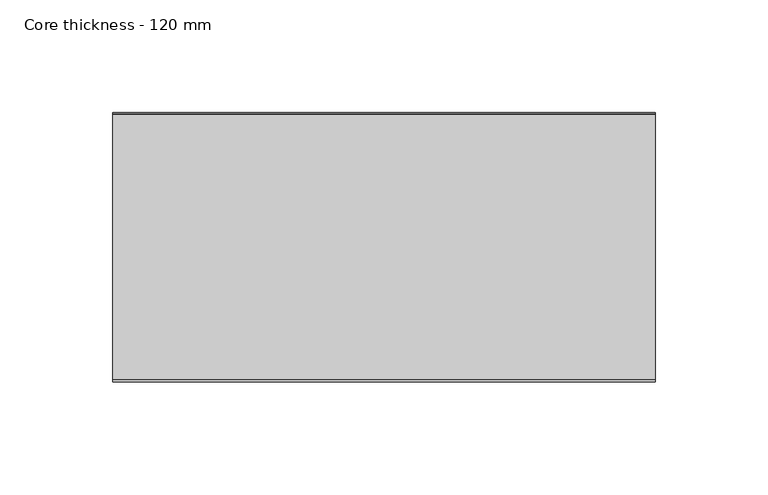
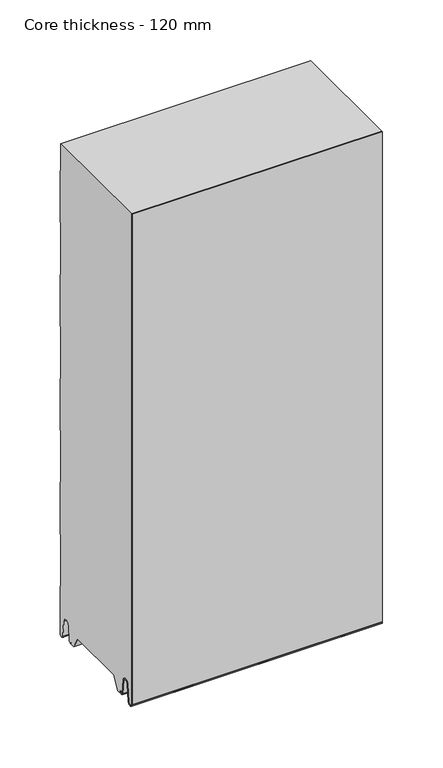
"""IFC4 building model written with IfcOpenShell, lengths in millimetres: plate geometry, Core thickness - 120 mm."""

from ifc_helpers import new_model, si_unit, frame, origin, place, context, project, spatial, polyline, circle_curve, source, transform, mapped, element, save
from ifc_brep_helpers import plane_surface, cylinder_surface, revolved_surface, advanced_brep


def core_thickness_120_mm_660c0a18(model_context):
    return source(origin(), model_context, "Body", "AdvancedBrep", [
        advanced_brep(
        [(119.9999998, -119.9996949, 3.0900682), (119.9999998, -113.81449, 2.7875612), (119.9999998, -112.197116, 19.2828169), (119.9999998, -109.1776715, 21.9898782), (119.9999998, -106.1582271, 19.2828169), (119.9999998, -104.7725998, 5.1510966), (119.9999998, -100.3830995, 5.365779), (119.9999998, -101.1830995, 5.365779), (119.9999998, -103.9764178, 5.2291629), (119.9999998, -105.3620451, 19.3608832), (119.9999998, -109.1776715, 22.7899182), (119.9999998, -112.9932979, 19.3608832), (119.9999998, -114.6106719, 2.8656275), (119.9999998, -119.1996949, 3.0900682), (119.9999998, -119.2, 500.0), (119.9999998, -119.9996949, 500.0), (-119.9999998, -119.1996949, 3.0900682), (-119.9999998, -114.6106719, 2.8656275), (-119.9999998, -112.9932979, 19.3608832), (-119.9999998, -109.1776715, 22.7899182), (-119.9999998, -105.3620451, 19.3608832), (-119.9999998, -103.9764178, 5.2291629), (-119.9999998, -101.1830995, 5.365779), (-119.9999998, -100.3830995, 5.365779), (-119.9999998, -104.7725998, 5.1510966), (-119.9999998, -106.1582271, 19.2828169), (-119.9999998, -109.1776715, 21.9898782), (-119.9999998, -112.197116, 19.2828169), (-119.9999998, -113.81449, 2.7875612), (-119.9999998, -119.9996949, 3.0900682), (-119.9999998, -119.9996949, 500.0), (-119.9999998, -119.2, 500.0)],
        [
            (0, 1, circle_curve(frame((119.9999998, -116.8996949, 3.0900682), z_axis=(1.0, 0.0, 0.0), x_axis=(0.0, 0.0, -1.0)), 3.1)),
            (1, 2),
            (2, 3, circle_curve(frame((119.9999998, -109.2114338, 18.9900682), z_axis=(-1.0, 0.0, 0.0), x_axis=(0.0, 0.0, -1.0)), 3.0)),
            (3, 4, circle_curve(frame((119.9999998, -109.1439093, 18.9900682), z_axis=(-1.0, 0.0, 0.0), x_axis=(0.0, 0.0, -1.0)), 3.0)),
            (4, 5),
            (5, 6, circle_curve(frame((119.9999998, -102.5830995, 5.365779), z_axis=(1.0, 0.0, 0.0), x_axis=(0.0, 0.0, -1.0)), 2.2)),
            (6, 7),
            (7, 8, circle_curve(frame((119.9999998, -102.5830995, 5.365779), z_axis=(-1.0, 0.0, 0.0), x_axis=(0.0, 0.0, -1.0)), 1.4)),
            (8, 9),
            (9, 10, circle_curve(frame((119.9999998, -109.1439093, 18.9900682), z_axis=(1.0, 0.0, 0.0), x_axis=(0.0, 0.0, -1.0)), 3.8)),
            (10, 11, circle_curve(frame((119.9999998, -109.2114338, 18.9900682), z_axis=(1.0, 0.0, 0.0), x_axis=(0.0, 0.0, -1.0)), 3.8)),
            (11, 12),
            (12, 13, circle_curve(frame((119.9999998, -116.8996949, 3.0900682), z_axis=(-1.0, 0.0, 0.0), x_axis=(0.0, 0.0, -1.0)), 2.3)),
            (13, 14),
            (14, 15),
            (15, 0),
            (16, 17, circle_curve(frame((-119.9999998, -116.8996949, 3.0900682), z_axis=(1.0, 0.0, 0.0), x_axis=(0.0, 0.0, -1.0)), 2.3)),
            (17, 18),
            (18, 19, circle_curve(frame((-119.9999998, -109.2114338, 18.9900682), z_axis=(-1.0, 0.0, 0.0), x_axis=(0.0, 0.0, -1.0)), 3.8)),
            (19, 20, circle_curve(frame((-119.9999998, -109.1439093, 18.9900682), z_axis=(-1.0, 0.0, 0.0), x_axis=(0.0, 0.0, -1.0)), 3.8)),
            (20, 21),
            (21, 22, circle_curve(frame((-119.9999998, -102.5830995, 5.365779), z_axis=(1.0, 0.0, 0.0), x_axis=(0.0, 0.0, -1.0)), 1.4)),
            (22, 23),
            (23, 24, circle_curve(frame((-119.9999998, -102.5830995, 5.365779), z_axis=(-1.0, 0.0, 0.0), x_axis=(0.0, 0.0, -1.0)), 2.2)),
            (24, 25),
            (25, 26, circle_curve(frame((-119.9999998, -109.1439093, 18.9900682), z_axis=(1.0, 0.0, 0.0), x_axis=(0.0, 0.0, -1.0)), 3.0)),
            (26, 27, circle_curve(frame((-119.9999998, -109.2114338, 18.9900682), z_axis=(1.0, 0.0, 0.0), x_axis=(0.0, 0.0, -1.0)), 3.0)),
            (27, 28),
            (28, 29, circle_curve(frame((-119.9999998, -116.8996949, 3.0900682), z_axis=(-1.0, 0.0, 0.0), x_axis=(0.0, 0.0, -1.0)), 3.1)),
            (29, 30),
            (30, 31),
            (31, 16),
            (13, 16),
            (31, 14),
            (12, 17),
            (11, 18),
            (10, 19),
            (9, 20),
            (8, 21),
            (7, 22),
            (6, 23),
            (5, 24),
            (4, 25),
            (3, 26),
            (2, 27),
            (1, 28),
            (0, 29),
            (15, 30),
        ],
        [
            plane_surface(frame((119.9999998, -120.0, 0.0), z_axis=(1.0, 0.0, 0.0), x_axis=(0.0, 1.0, 0.0))),
            plane_surface(frame((-119.9999998, -120.0, 0.0), z_axis=(-1.0, 0.0, 0.0), x_axis=(0.0, 1.0, 0.0))),
            plane_surface(frame((119.9999998, -119.2, 3.0900682), z_axis=(0.0, 1.0, 0.0), x_axis=(-1.0, 0.0, 0.0))),
            revolved_surface(polyline([(-119.9999998, -116.8996949, 0.7900682000000003), (119.9999998, -116.8996949, 0.7900682000000003)]), (119.9999998, -116.8996949, 3.0900682), (-1.0, 0.0, 0.0)),
            plane_surface(frame((119.9999998, -112.9932979, 19.3608832), z_axis=(0.0, -0.9952273999818314, 0.09758289975914787), x_axis=(-1.0, 0.0, 0.0))),
            cylinder_surface(frame((119.9999998, -109.2114338, 18.9900682), z_axis=(1.0, 0.0, 0.0), x_axis=(0.0, 0.0, -1.0)), 3.8),
            cylinder_surface(frame((119.9999998, -109.1439093, 18.9900682), z_axis=(1.0, 0.0, 0.0), x_axis=(0.0, 0.0, -1.0)), 3.8),
            plane_surface(frame((119.9999998, -103.9764178, 5.2291629), z_axis=(0.0, 0.9952273999818297, 0.09758289975916531), x_axis=(-1.0, 0.0, 0.0))),
            revolved_surface(polyline([(-119.9999998, -102.5830995, 3.965779), (119.9999998, -102.5830995, 3.965779)]), (119.9999998, -102.5830995, 5.365779), (-1.0, 0.0, 0.0)),
            plane_surface(frame((119.9999998, -100.3830995, 5.365779), z_axis=(0.0, 0.0, 1.0), x_axis=(-1.0, 0.0, 0.0))),
            cylinder_surface(frame((119.9999998, -102.5830995, 5.365779), z_axis=(1.0, 0.0, 0.0), x_axis=(0.0, 0.0, -1.0)), 2.2),
            plane_surface(frame((119.9999998, -106.1582271, 19.2828169), z_axis=(0.0, -0.9952273999818296, -0.09758289975916527), x_axis=(-1.0, 0.0, 0.0))),
            revolved_surface(polyline([(-119.9999998, -109.1439093, 15.9900682), (119.9999998, -109.1439093, 15.9900682)]), (119.9999998, -109.1439093, 18.9900682), (-1.0, 0.0, 0.0)),
            revolved_surface(polyline([(-119.9999998, -109.2114338, 15.9900682), (119.9999998, -109.2114338, 15.9900682)]), (119.9999998, -109.2114338, 18.9900682), (-1.0, 0.0, 0.0)),
            plane_surface(frame((119.9999998, -113.81449, 2.7875612), z_axis=(0.0, 0.9952273999818314, -0.09758289975914787), x_axis=(-1.0, 0.0, 0.0))),
            cylinder_surface(frame((119.9999998, -116.8996949, 3.0900682), z_axis=(1.0, 0.0, 0.0), x_axis=(0.0, 0.0, -1.0)), 3.1),
            plane_surface(frame((119.9999998, -119.9996949, 993.9000005), z_axis=(0.0, -1.0, 0.0), x_axis=(-1.0, 0.0, 0.0))),
            plane_surface(frame((-119.9999998, 134.0533409, 500.0), z_axis=(0.0, 0.0, 1.0), x_axis=(1.0, 0.0, 0.0))),
        ],
        [
            (0, [[1, 2, 3, 4, 5, 6, 7, 8, 9, 10, 11, 12, 13, 14, 15, 16]]),
            (1, [[17, 18, 19, 20, 21, 22, 23, 24, 25, 26, 27, 28, 29, 30, 31, 32]]),
            (2, [[33, -32, 34, -14]]),
            (3, [[-13, 35, -17, -33]]),
            (4, [[-12, 36, -18, -35]]),
            (5, [[-11, 37, -19, -36]]),
            (6, [[-10, 38, -20, -37]]),
            (7, [[-9, 39, -21, -38]]),
            (8, [[-8, 40, -22, -39]]),
            (9, [[-7, 41, -23, -40]]),
            (10, [[-6, 42, -24, -41]]),
            (11, [[-5, 43, -25, -42]]),
            (12, [[-4, 44, -26, -43]]),
            (13, [[-3, 45, -27, -44]]),
            (14, [[-2, 46, -28, -45]]),
            (15, [[-1, 47, -29, -46]]),
            (16, [[-47, -16, 48, -30]]),
            (17, [[-15, -34, -31, -48]]),
        ],
    ),
        advanced_brep(
        [(119.9999998, -89.873448, 15.1417681), (119.9999998, -30.126552, 15.1417681), (119.9999998, -23.4071318, 3.165779), (119.9999998, -17.4169005, 3.165779), (119.9999998, -19.6169005, 5.365779), (119.9999998, -18.8169005, 5.365779), (119.9999998, -16.0235822, 5.2291629), (119.9999998, -14.6379549, 19.3608832), (119.9999998, -10.8223285, 22.7899182), (119.9999998, -7.0067021, 19.3608832), (119.9999998, -5.3893281, 2.8656275), (119.9999998, -0.8003051, 3.0900682), (119.9999998, -0.8, 49.9459237), (119.9999998, -1.0986697, 50.9973395), (119.9999998, -1.5003051, 52.4177205), (119.9999998, -1.5003051, 102.5775037), (119.9999998, -1.0971009, 103.9969151), (119.9999998, -0.8, 105.0493005), (119.9999998, -0.8, 155.2090837), (119.9999998, -1.0986697, 156.2604995), (119.9999998, -1.5003051, 157.6808805), (119.9999998, -1.5003051, 207.8406637), (119.9999998, -1.0971009, 209.2600751), (119.9999998, -0.8, 210.3124605), (119.9999998, -0.8, 260.4722437), (119.9999998, -1.0986697, 261.5236595), (119.9999998, -1.5003051, 262.9440405), (119.9999998, -1.5003051, 313.1038237), (119.9999998, -1.0971009, 314.5232351), (119.9999998, -0.8, 315.5756205), (119.9999998, -0.8, 365.7354037), (119.9999998, -1.0986697, 366.7868195), (119.9999998, -1.5003051, 368.2072005), (119.9999998, -1.5003051, 418.3669837), (119.9999998, -1.0971009, 419.7863951), (119.9999998, -0.8, 420.8387805), (119.9999998, -0.8, 470.9985637), (119.9999998, -1.0986697, 472.0499795), (119.9999998, -1.5003051, 473.4703605), (119.9999998, -1.5003051, 500.0), (119.9999998, -119.2, 500.0), (119.9999998, -119.2, 3.0900682), (119.9999998, -114.6106719, 2.8656275), (119.9999998, -112.9932979, 19.3608832), (119.9999998, -109.1776715, 22.7899182), (119.9999998, -105.3620451, 19.3608832), (119.9999998, -103.9764178, 5.2291629), (119.9999998, -101.1830995, 5.365779), (119.9999998, -100.3830995, 5.365779), (119.9999998, -102.5830995, 3.165779), (119.9999998, -96.5928682, 3.165779), (-119.9999998, -30.126552, 15.1417681), (-119.9999998, -89.873448, 15.1417681), (-119.9999998, -96.5928682, 3.165779), (-119.9999998, -102.5830995, 3.165779), (-119.9999998, -100.3830995, 5.365779), (-119.9999998, -101.1830995, 5.365779), (-119.9999998, -103.9764178, 5.2291629), (-119.9999998, -105.3620451, 19.3608832), (-119.9999998, -109.1776715, 22.7899182), (-119.9999998, -112.9932979, 19.3608832), (-119.9999998, -114.6106719, 2.8656275), (-119.9999998, -119.1996949, 3.0900682), (-119.9999998, -119.2, 500.0), (-119.9999998, -1.5003051, 500.0), (-119.9999998, -1.5003051, 473.4703605), (-119.9999998, -1.0971009, 472.0509491), (-119.9999998, -0.8, 470.9985637), (-119.9999998, -0.8, 420.8387805), (-119.9999998, -1.0986697, 419.7873646), (-119.9999998, -1.5003051, 418.3669837), (-119.9999998, -1.5003051, 368.2072005), (-119.9999998, -1.0971009, 366.7877891), (-119.9999998, -0.8, 365.7354037), (-119.9999998, -0.8, 315.5756205), (-119.9999998, -1.0986697, 314.5242046), (-119.9999998, -1.5003051, 313.1038237), (-119.9999998, -1.5003051, 262.9440405), (-119.9999998, -1.0971009, 261.5246291), (-119.9999998, -0.8, 260.4722437), (-119.9999998, -0.8, 210.3124605), (-119.9999998, -1.0986697, 209.2610446), (-119.9999998, -1.5003051, 207.8406637), (-119.9999998, -1.5003051, 157.6808805), (-119.9999998, -1.0971009, 156.2614691), (-119.9999998, -0.8, 155.2090837), (-119.9999998, -0.8, 105.0493005), (-119.9999998, -1.0986697, 103.9978846), (-119.9999998, -1.5003051, 102.5775037), (-119.9999998, -1.5003051, 52.4177205), (-119.9999998, -1.0971009, 50.9983091), (-119.9999998, -0.8, 49.9459237), (-119.9999998, -0.8, 3.0900682), (-119.9999998, -5.3893281, 2.8656275), (-119.9999998, -7.0067021, 19.3608832), (-119.9999998, -10.8223285, 22.7899182), (-119.9999998, -14.6379549, 19.3608832), (-119.9999998, -16.0235822, 5.2291629), (-119.9999998, -18.8169005, 5.365779), (-119.9999998, -19.6169005, 5.365779), (-119.9999998, -17.4169005, 3.165779), (-119.9999998, -23.4071318, 3.165779)],
        [
            (0, 1),
            (1, 2),
            (2, 3),
            (3, 4, circle_curve(frame((119.9999998, -17.4169005, 5.365779), z_axis=(-1.0, 0.0, 0.0), x_axis=(0.0, 0.0, -1.0)), 2.2)),
            (4, 5),
            (5, 6, circle_curve(frame((119.9999998, -17.4169005, 5.365779), z_axis=(1.0, 0.0, 0.0), x_axis=(0.0, 0.0, -1.0)), 1.4)),
            (6, 7),
            (7, 8, circle_curve(frame((119.9999998, -10.8560907, 18.9900682), z_axis=(-1.0, 0.0, 0.0), x_axis=(0.0, 0.0, -1.0)), 3.8)),
            (8, 9, circle_curve(frame((119.9999998, -10.7885662, 18.9900682), z_axis=(-1.0, 0.0, 0.0), x_axis=(0.0, 0.0, -1.0)), 3.8)),
            (9, 10),
            (10, 11, circle_curve(frame((119.9999998, -3.1003051, 3.0900682), z_axis=(1.0, 0.0, 0.0), x_axis=(0.0, 0.0, -1.0)), 2.3)),
            (11, 12),
            (12, 13, circle_curve(frame((119.9999998, -2.8, 49.9459237), z_axis=(1.0, 0.0, 0.0), x_axis=(0.0, 0.0, -1.0)), 2.0)),
            (13, 14, circle_curve(frame((119.9999998, 1.1996949, 52.4177205), z_axis=(-1.0, 0.0, 0.0), x_axis=(0.0, 0.0, -1.0)), 2.7)),
            (14, 15),
            (15, 16, circle_curve(frame((119.9999998, 1.1996949, 102.5775037), z_axis=(-1.0, 0.0, 0.0), x_axis=(0.0, 0.0, -1.0)), 2.7)),
            (16, 17, circle_curve(frame((119.9999998, -2.8, 105.0493005), z_axis=(1.0, 0.0, 0.0), x_axis=(0.0, 0.0, -1.0)), 2.0)),
            (17, 18),
            (18, 19, circle_curve(frame((119.9999998, -2.8, 155.2090837), z_axis=(1.0, 0.0, 0.0), x_axis=(0.0, 0.0, -1.0)), 2.0)),
            (19, 20, circle_curve(frame((119.9999998, 1.1996949, 157.6808805), z_axis=(-1.0, 0.0, 0.0), x_axis=(0.0, 0.0, -1.0)), 2.7)),
            (20, 21),
            (21, 22, circle_curve(frame((119.9999998, 1.1996949, 207.8406637), z_axis=(-1.0, 0.0, 0.0), x_axis=(0.0, 0.0, -1.0)), 2.7)),
            (22, 23, circle_curve(frame((119.9999998, -2.8, 210.3124605), z_axis=(1.0, 0.0, 0.0), x_axis=(0.0, 0.0, -1.0)), 2.0)),
            (23, 24),
            (24, 25, circle_curve(frame((119.9999998, -2.8, 260.4722437), z_axis=(1.0, 0.0, 0.0), x_axis=(0.0, 0.0, -1.0)), 2.0)),
            (25, 26, circle_curve(frame((119.9999998, 1.1996949, 262.9440405), z_axis=(-1.0, 0.0, 0.0), x_axis=(0.0, 0.0, -1.0)), 2.7)),
            (26, 27),
            (27, 28, circle_curve(frame((119.9999998, 1.1996949, 313.1038237), z_axis=(-1.0, 0.0, 0.0), x_axis=(0.0, 0.0, -1.0)), 2.7)),
            (28, 29, circle_curve(frame((119.9999998, -2.8, 315.5756205), z_axis=(1.0, 0.0, 0.0), x_axis=(0.0, 0.0, -1.0)), 2.0)),
            (29, 30),
            (30, 31, circle_curve(frame((119.9999998, -2.8, 365.7354037), z_axis=(1.0, 0.0, 0.0), x_axis=(0.0, 0.0, -1.0)), 2.0)),
            (31, 32, circle_curve(frame((119.9999998, 1.1996949, 368.2072005), z_axis=(-1.0, 0.0, 0.0), x_axis=(0.0, 0.0, -1.0)), 2.7)),
            (32, 33),
            (33, 34, circle_curve(frame((119.9999998, 1.1996949, 418.3669837), z_axis=(-1.0, 0.0, 0.0), x_axis=(0.0, 0.0, -1.0)), 2.7)),
            (34, 35, circle_curve(frame((119.9999998, -2.8, 420.8387805), z_axis=(1.0, 0.0, 0.0), x_axis=(0.0, 0.0, -1.0)), 2.0)),
            (35, 36),
            (36, 37, circle_curve(frame((119.9999998, -2.8, 470.9985637), z_axis=(1.0, 0.0, 0.0), x_axis=(0.0, 0.0, -1.0)), 2.0)),
            (37, 38, circle_curve(frame((119.9999998, 1.1996949, 473.4703605), z_axis=(-1.0, 0.0, 0.0), x_axis=(0.0, 0.0, -1.0)), 2.7)),
            (38, 39),
            (39, 40),
            (40, 41),
            (41, 42, circle_curve(frame((119.9999998, -116.8996949, 3.0900682), z_axis=(1.0, 0.0, 0.0), x_axis=(0.0, 0.0, -1.0)), 2.3)),
            (42, 43),
            (43, 44, circle_curve(frame((119.9999998, -109.2114338, 18.9900682), z_axis=(-1.0, 0.0, 0.0), x_axis=(0.0, 0.0, -1.0)), 3.8)),
            (44, 45, circle_curve(frame((119.9999998, -109.1439093, 18.9900682), z_axis=(-1.0, 0.0, 0.0), x_axis=(0.0, 0.0, -1.0)), 3.8)),
            (45, 46),
            (46, 47, circle_curve(frame((119.9999998, -102.5830995, 5.365779), z_axis=(1.0, 0.0, 0.0), x_axis=(0.0, 0.0, -1.0)), 1.4)),
            (47, 48),
            (48, 49, circle_curve(frame((119.9999998, -102.5830995, 5.365779), z_axis=(-1.0, 0.0, 0.0), x_axis=(0.0, 0.0, -1.0)), 2.2)),
            (49, 50),
            (50, 0),
            (51, 52),
            (52, 53),
            (53, 54),
            (54, 55, circle_curve(frame((-119.9999998, -102.5830995, 5.365779), z_axis=(1.0, 0.0, 0.0), x_axis=(0.0, 0.0, -1.0)), 2.2)),
            (55, 56),
            (56, 57, circle_curve(frame((-119.9999998, -102.5830995, 5.365779), z_axis=(-1.0, 0.0, 0.0), x_axis=(0.0, 0.0, -1.0)), 1.4)),
            (57, 58),
            (58, 59, circle_curve(frame((-119.9999998, -109.1439093, 18.9900682), z_axis=(1.0, 0.0, 0.0), x_axis=(0.0, 0.0, -1.0)), 3.8)),
            (59, 60, circle_curve(frame((-119.9999998, -109.2114338, 18.9900682), z_axis=(1.0, 0.0, 0.0), x_axis=(0.0, 0.0, -1.0)), 3.8)),
            (60, 61),
            (61, 62, circle_curve(frame((-119.9999998, -116.8996949, 3.0900682), z_axis=(-1.0, 0.0, 0.0), x_axis=(0.0, 0.0, -1.0)), 2.3)),
            (62, 63),
            (63, 64),
            (64, 65),
            (65, 66, circle_curve(frame((-119.9999998, 1.1996949, 473.4703605), z_axis=(1.0, 0.0, 0.0), x_axis=(0.0, 0.0, -1.0)), 2.7)),
            (66, 67, circle_curve(frame((-119.9999998, -2.8, 470.9985637), z_axis=(-1.0, 0.0, 0.0), x_axis=(0.0, 0.0, -1.0)), 2.0)),
            (67, 68),
            (68, 69, circle_curve(frame((-119.9999998, -2.8, 420.8387805), z_axis=(-1.0, 0.0, 0.0), x_axis=(0.0, 0.0, -1.0)), 2.0)),
            (69, 70, circle_curve(frame((-119.9999998, 1.1996949, 418.3669837), z_axis=(1.0, 0.0, 0.0), x_axis=(0.0, 0.0, -1.0)), 2.7)),
            (70, 71),
            (71, 72, circle_curve(frame((-119.9999998, 1.1996949, 368.2072005), z_axis=(1.0, 0.0, 0.0), x_axis=(0.0, 0.0, -1.0)), 2.7)),
            (72, 73, circle_curve(frame((-119.9999998, -2.8, 365.7354037), z_axis=(-1.0, 0.0, 0.0), x_axis=(0.0, 0.0, -1.0)), 2.0)),
            (73, 74),
            (74, 75, circle_curve(frame((-119.9999998, -2.8, 315.5756205), z_axis=(-1.0, 0.0, 0.0), x_axis=(0.0, 0.0, -1.0)), 2.0)),
            (75, 76, circle_curve(frame((-119.9999998, 1.1996949, 313.1038237), z_axis=(1.0, 0.0, 0.0), x_axis=(0.0, 0.0, -1.0)), 2.7)),
            (76, 77),
            (77, 78, circle_curve(frame((-119.9999998, 1.1996949, 262.9440405), z_axis=(1.0, 0.0, 0.0), x_axis=(0.0, 0.0, -1.0)), 2.7)),
            (78, 79, circle_curve(frame((-119.9999998, -2.8, 260.4722437), z_axis=(-1.0, 0.0, 0.0), x_axis=(0.0, 0.0, -1.0)), 2.0)),
            (79, 80),
            (80, 81, circle_curve(frame((-119.9999998, -2.8, 210.3124605), z_axis=(-1.0, 0.0, 0.0), x_axis=(0.0, 0.0, -1.0)), 2.0)),
            (81, 82, circle_curve(frame((-119.9999998, 1.1996949, 207.8406637), z_axis=(1.0, 0.0, 0.0), x_axis=(0.0, 0.0, -1.0)), 2.7)),
            (82, 83),
            (83, 84, circle_curve(frame((-119.9999998, 1.1996949, 157.6808805), z_axis=(1.0, 0.0, 0.0), x_axis=(0.0, 0.0, -1.0)), 2.7)),
            (84, 85, circle_curve(frame((-119.9999998, -2.8, 155.2090837), z_axis=(-1.0, 0.0, 0.0), x_axis=(0.0, 0.0, -1.0)), 2.0)),
            (85, 86),
            (86, 87, circle_curve(frame((-119.9999998, -2.8, 105.0493005), z_axis=(-1.0, 0.0, 0.0), x_axis=(0.0, 0.0, -1.0)), 2.0)),
            (87, 88, circle_curve(frame((-119.9999998, 1.1996949, 102.5775037), z_axis=(1.0, 0.0, 0.0), x_axis=(0.0, 0.0, -1.0)), 2.7)),
            (88, 89),
            (89, 90, circle_curve(frame((-119.9999998, 1.1996949, 52.4177205), z_axis=(1.0, 0.0, 0.0), x_axis=(0.0, 0.0, -1.0)), 2.7)),
            (90, 91, circle_curve(frame((-119.9999998, -2.8, 49.9459237), z_axis=(-1.0, 0.0, 0.0), x_axis=(0.0, 0.0, -1.0)), 2.0)),
            (91, 92),
            (92, 93, circle_curve(frame((-119.9999998, -3.1003051, 3.0900682), z_axis=(-1.0, 0.0, 0.0), x_axis=(0.0, 0.0, -1.0)), 2.3)),
            (93, 94),
            (94, 95, circle_curve(frame((-119.9999998, -10.7885662, 18.9900682), z_axis=(1.0, 0.0, 0.0), x_axis=(0.0, 0.0, -1.0)), 3.8)),
            (95, 96, circle_curve(frame((-119.9999998, -10.8560907, 18.9900682), z_axis=(1.0, 0.0, 0.0), x_axis=(0.0, 0.0, -1.0)), 3.8)),
            (96, 97),
            (97, 98, circle_curve(frame((-119.9999998, -17.4169005, 5.365779), z_axis=(-1.0, 0.0, 0.0), x_axis=(0.0, 0.0, -1.0)), 1.4)),
            (98, 99),
            (99, 100, circle_curve(frame((-119.9999998, -17.4169005, 5.365779), z_axis=(1.0, 0.0, 0.0), x_axis=(0.0, 0.0, -1.0)), 2.2)),
            (100, 101),
            (101, 51),
            (1, 51),
            (101, 2),
            (0, 52),
            (50, 53),
            (99, 4),
            (3, 100),
            (98, 5),
            (97, 6),
            (96, 7),
            (95, 8),
            (94, 9),
            (93, 10),
            (92, 11),
            (91, 12),
            (90, 13),
            (89, 14),
            (88, 15),
            (87, 16),
            (86, 17),
            (85, 18),
            (84, 19),
            (83, 20),
            (82, 21),
            (81, 22),
            (80, 23),
            (79, 24),
            (78, 25),
            (77, 26),
            (76, 27),
            (75, 28),
            (74, 29),
            (73, 30),
            (72, 31),
            (71, 32),
            (70, 33),
            (69, 34),
            (68, 35),
            (67, 36),
            (66, 37),
            (65, 38),
            (64, 39),
            (62, 41),
            (40, 63),
            (61, 42),
            (60, 43),
            (59, 44),
            (58, 45),
            (57, 46),
            (56, 47),
            (55, 48),
            (54, 49),
        ],
        [
            plane_surface(frame((119.9999998, 0.0, 0.0), z_axis=(1.0, 0.0, 0.0), x_axis=(0.0, -1.0, 0.0))),
            plane_surface(frame((-119.9999998, 0.0, 0.0), z_axis=(-1.0, 0.0, 0.0), x_axis=(0.0, -1.0, 0.0))),
            plane_surface(frame((119.9999998, -30.126552, 15.1417681), z_axis=(0.0, -0.8721062992196836, -0.4893164649399687), x_axis=(-1.0, 0.0, 0.0))),
            plane_surface(frame((119.9999998, -89.873448, 15.1417681), z_axis=(0.0, 0.0, -1.0), x_axis=(-1.0, 0.0, 0.0))),
            plane_surface(frame((119.9999998, -96.8190247, 2.7627014), z_axis=(0.0, 0.8721062992196852, -0.48931646493996606), x_axis=(-1.0, 0.0, 0.0))),
            revolved_surface(polyline([(119.99999980000001, -17.4169005, 3.1657789999999997), (-119.99999980000001, -17.4169005, 3.1657789999999997)]), (249.9999998, -17.4169005, 5.365779), (1.0, 0.0, 0.0)),
            plane_surface(frame((249.9999998, -18.8169005, 5.365779), z_axis=(0.0, 0.0, -1.0), x_axis=(-1.0, 0.0, 0.0))),
            cylinder_surface(frame((249.9999998, -17.4169005, 5.365779), z_axis=(-1.0, 0.0, 0.0), x_axis=(0.0, 0.0, -1.0)), 1.4),
            plane_surface(frame((249.9999998, -14.6379549, 19.3608832), z_axis=(0.0, 0.9952273999818297, -0.09758289975916531), x_axis=(-1.0, 0.0, 0.0))),
            revolved_surface(polyline([(119.99999980000001, -10.8560907, 15.190068199999999), (-119.99999980000001, -10.8560907, 15.190068199999999)]), (249.9999998, -10.8560907, 18.9900682), (1.0, 0.0, 0.0)),
            revolved_surface(polyline([(119.99999980000001, -10.7885662, 15.190068199999999), (-119.99999980000001, -10.7885662, 15.190068199999999)]), (249.9999998, -10.7885662, 18.9900682), (1.0, 0.0, 0.0)),
            plane_surface(frame((249.9999998, -5.3893281, 2.8656275), z_axis=(0.0, -0.9952273999818314, -0.09758289975914787), x_axis=(-1.0, 0.0, 0.0))),
            cylinder_surface(frame((249.9999998, -3.1003051, 3.0900682), z_axis=(-1.0, 0.0, 0.0), x_axis=(0.0, 0.0, -1.0)), 2.3),
            plane_surface(frame((249.9999998, -0.8, 49.9459237), z_axis=(0.0, 1.0, 0.0), x_axis=(-1.0, 0.0, 0.0))),
            cylinder_surface(frame((249.9999998, -2.8, 49.9459237), z_axis=(-1.0, 0.0, 0.0), x_axis=(0.0, 0.0, -1.0)), 2.0),
            revolved_surface(polyline([(119.99999980000001, 1.1996949, 49.7177205), (-119.99999980000001, 1.1996949, 49.7177205)]), (249.9999998, 1.1996949, 52.4177205), (1.0, 0.0, 0.0)),
            plane_surface(frame((249.9999998, -1.5003051, 102.5775037), z_axis=(0.0, 1.0, 0.0), x_axis=(-1.0, 0.0, 0.0))),
            revolved_surface(polyline([(119.99999980000001, 1.1996949, 99.87750369999999), (-119.99999980000001, 1.1996949, 99.87750369999999)]), (249.9999998, 1.1996949, 102.5775037), (1.0, 0.0, 0.0)),
            cylinder_surface(frame((249.9999998, -2.8, 105.0493005), z_axis=(-1.0, 0.0, 0.0), x_axis=(0.0, 0.0, -1.0)), 2.0),
            plane_surface(frame((249.9999998, -0.8, 155.2090837), z_axis=(0.0, 1.0, 0.0), x_axis=(-1.0, 0.0, 0.0))),
            cylinder_surface(frame((249.9999998, -2.8, 155.2090837), z_axis=(-1.0, 0.0, 0.0), x_axis=(0.0, 0.0, -1.0)), 2.0),
            revolved_surface(polyline([(119.99999980000001, 1.1996949, 154.9808805), (-119.99999980000001, 1.1996949, 154.9808805)]), (249.9999998, 1.1996949, 157.6808805), (1.0, 0.0, 0.0)),
            plane_surface(frame((249.9999998, -1.5003051, 207.8406637), z_axis=(0.0, 1.0, 0.0), x_axis=(-1.0, 0.0, 0.0))),
            revolved_surface(polyline([(119.99999980000001, 1.1996949, 205.1406637), (-119.99999980000001, 1.1996949, 205.1406637)]), (249.9999998, 1.1996949, 207.8406637), (1.0, 0.0, 0.0)),
            cylinder_surface(frame((249.9999998, -2.8, 210.3124605), z_axis=(-1.0, 0.0, 0.0), x_axis=(0.0, 0.0, -1.0)), 2.0),
            plane_surface(frame((249.9999998, -0.8, 260.4722437), z_axis=(0.0, 1.0, 0.0), x_axis=(-1.0, 0.0, 0.0))),
            cylinder_surface(frame((249.9999998, -2.8, 260.4722437), z_axis=(-1.0, 0.0, 0.0), x_axis=(0.0, 0.0, -1.0)), 2.0),
            revolved_surface(polyline([(119.99999980000001, 1.1996949, 260.24404050000004), (-119.99999980000001, 1.1996949, 260.24404050000004)]), (249.9999998, 1.1996949, 262.9440405), (1.0, 0.0, 0.0)),
            plane_surface(frame((249.9999998, -1.5003051, 313.1038237), z_axis=(0.0, 1.0, 0.0), x_axis=(-1.0, 0.0, 0.0))),
            revolved_surface(polyline([(119.99999980000001, 1.1996949, 310.40382370000003), (-119.99999980000001, 1.1996949, 310.40382370000003)]), (249.9999998, 1.1996949, 313.1038237), (1.0, 0.0, 0.0)),
            cylinder_surface(frame((249.9999998, -2.8, 315.5756205), z_axis=(-1.0, 0.0, 0.0), x_axis=(0.0, 0.0, -1.0)), 2.0),
            plane_surface(frame((249.9999998, -0.8, 365.7354037), z_axis=(0.0, 1.0, 0.0), x_axis=(-1.0, 0.0, 0.0))),
            cylinder_surface(frame((249.9999998, -2.8, 365.7354037), z_axis=(-1.0, 0.0, 0.0), x_axis=(0.0, 0.0, -1.0)), 2.0),
            revolved_surface(polyline([(119.99999980000001, 1.1996949, 365.5072005), (-119.99999980000001, 1.1996949, 365.5072005)]), (249.9999998, 1.1996949, 368.2072005), (1.0, 0.0, 0.0)),
            plane_surface(frame((249.9999998, -1.5003051, 418.3669837), z_axis=(0.0, 1.0, 0.0), x_axis=(-1.0, 0.0, 0.0))),
            revolved_surface(polyline([(119.99999980000001, 1.1996949, 415.6669837), (-119.99999980000001, 1.1996949, 415.6669837)]), (249.9999998, 1.1996949, 418.3669837), (1.0, 0.0, 0.0)),
            cylinder_surface(frame((249.9999998, -2.8, 420.8387805), z_axis=(-1.0, 0.0, 0.0), x_axis=(0.0, 0.0, -1.0)), 2.0),
            plane_surface(frame((249.9999998, -0.8, 470.9985637), z_axis=(0.0, 1.0, 0.0), x_axis=(-1.0, 0.0, 0.0))),
            cylinder_surface(frame((249.9999998, -2.8, 470.9985637), z_axis=(-1.0, 0.0, 0.0), x_axis=(0.0, 0.0, -1.0)), 2.0),
            revolved_surface(polyline([(119.99999980000001, 1.1996949, 470.77036050000004), (-119.99999980000001, 1.1996949, 470.77036050000004)]), (249.9999998, 1.1996949, 473.4703605), (1.0, 0.0, 0.0)),
            plane_surface(frame((249.9999998, -1.5003051, 523.6301437), z_axis=(0.0, 1.0, 0.0), x_axis=(-1.0, 0.0, 0.0))),
            plane_surface(frame((249.9999998, -119.2, 3.0900682), z_axis=(0.0, -1.0, 0.0), x_axis=(-1.0, 0.0, 0.0))),
            cylinder_surface(frame((249.9999998, -116.8996949, 3.0900682), z_axis=(-1.0, 0.0, 0.0), x_axis=(0.0, 0.0, -1.0)), 2.3),
            plane_surface(frame((249.9999998, -112.9932979, 19.3608832), z_axis=(0.0, 0.9952273999818314, -0.09758289975914787), x_axis=(-1.0, 0.0, 0.0))),
            revolved_surface(polyline([(119.99999980000001, -109.2114338, 15.190068199999999), (-119.99999980000001, -109.2114338, 15.190068199999999)]), (249.9999998, -109.2114338, 18.9900682), (1.0, 0.0, 0.0)),
            revolved_surface(polyline([(119.99999980000001, -109.1439093, 15.190068199999999), (-119.99999980000001, -109.1439093, 15.190068199999999)]), (249.9999998, -109.1439093, 18.9900682), (1.0, 0.0, 0.0)),
            plane_surface(frame((249.9999998, -103.9764178, 5.2291629), z_axis=(0.0, -0.9952273999818297, -0.09758289975916531), x_axis=(-1.0, 0.0, 0.0))),
            cylinder_surface(frame((249.9999998, -102.5830995, 5.365779), z_axis=(-1.0, 0.0, 0.0), x_axis=(0.0, 0.0, -1.0)), 1.4),
            plane_surface(frame((249.9999998, -100.3830995, 5.365779), z_axis=(0.0, 0.0, -1.0), x_axis=(-1.0, 0.0, 0.0))),
            revolved_surface(polyline([(119.99999980000001, -102.5830995, 3.1657789999999997), (-119.99999980000001, -102.5830995, 3.1657789999999997)]), (249.9999998, -102.5830995, 5.365779), (1.0, 0.0, 0.0)),
            plane_surface(frame((-119.9999998, -102.5830995, 3.165779), z_axis=(0.0, 0.0, -1.0), x_axis=(1.0, 0.0, 0.0))),
            plane_surface(frame((-119.9999998, 134.0533409, 500.0), z_axis=(0.0, 0.0, 1.0), x_axis=(1.0, 0.0, 0.0))),
        ],
        [
            (0, [[1, 2, 3, 4, 5, 6, 7, 8, 9, 10, 11, 12, 13, 14, 15, 16, 17, 18, 19, 20, 21, 22, 23, 24, 25, 26, 27, 28, 29, 30, 31, 32, 33, 34, 35, 36, 37, 38, 39, 40, 41, 42, 43, 44, 45, 46, 47, 48, 49, 50, 51]]),
            (1, [[52, 53, 54, 55, 56, 57, 58, 59, 60, 61, 62, 63, 64, 65, 66, 67, 68, 69, 70, 71, 72, 73, 74, 75, 76, 77, 78, 79, 80, 81, 82, 83, 84, 85, 86, 87, 88, 89, 90, 91, 92, 93, 94, 95, 96, 97, 98, 99, 100, 101, 102]]),
            (2, [[103, -102, 104, -2]]),
            (3, [[-1, 105, -52, -103]]),
            (4, [[-105, -51, 106, -53]]),
            (5, [[107, -4, 108, -100]]),
            (6, [[-107, -99, 109, -5]]),
            (7, [[-109, -98, 110, -6]]),
            (8, [[-110, -97, 111, -7]]),
            (9, [[-111, -96, 112, -8]]),
            (10, [[-112, -95, 113, -9]]),
            (11, [[-113, -94, 114, -10]]),
            (12, [[-114, -93, 115, -11]]),
            (13, [[-115, -92, 116, -12]]),
            (14, [[-116, -91, 117, -13]]),
            (15, [[-117, -90, 118, -14]]),
            (16, [[-118, -89, 119, -15]]),
            (17, [[-119, -88, 120, -16]]),
            (18, [[-120, -87, 121, -17]]),
            (19, [[-121, -86, 122, -18]]),
            (20, [[-122, -85, 123, -19]]),
            (21, [[-123, -84, 124, -20]]),
            (22, [[-124, -83, 125, -21]]),
            (23, [[-125, -82, 126, -22]]),
            (24, [[-126, -81, 127, -23]]),
            (25, [[-127, -80, 128, -24]]),
            (26, [[-128, -79, 129, -25]]),
            (27, [[-129, -78, 130, -26]]),
            (28, [[-130, -77, 131, -27]]),
            (29, [[-131, -76, 132, -28]]),
            (30, [[-132, -75, 133, -29]]),
            (31, [[-133, -74, 134, -30]]),
            (32, [[-134, -73, 135, -31]]),
            (33, [[-135, -72, 136, -32]]),
            (34, [[-136, -71, 137, -33]]),
            (35, [[-137, -70, 138, -34]]),
            (36, [[-138, -69, 139, -35]]),
            (37, [[-139, -68, 140, -36]]),
            (38, [[-140, -67, 141, -37]]),
            (39, [[-141, -66, 142, -38]]),
            (40, [[-142, -65, 143, -39]]),
            (41, [[144, -41, 145, -63]]),
            (42, [[-144, -62, 146, -42]]),
            (43, [[-146, -61, 147, -43]]),
            (44, [[-147, -60, 148, -44]]),
            (45, [[-148, -59, 149, -45]]),
            (46, [[-149, -58, 150, -46]]),
            (47, [[-150, -57, 151, -47]]),
            (48, [[-151, -56, 152, -48]]),
            (49, [[-152, -55, 153, -49]]),
            (50, [[-3, -104, -101, -108]]),
            (50, [[-50, -153, -54, -106]]),
            (51, [[-143, -64, -145, -40]]),
        ],
    ),
    ])


if __name__ == "__main__":
    model = new_model("IFC4")
    model_context = context("Model", 3, world=origin())
    ifc_project = project(units=[si_unit("LENGTHUNIT", "METRE", prefix="MILLI")], contexts=[model_context])
    site = spatial("IfcSite", under=ifc_project)
    building = spatial("IfcBuilding", under=site)
    placement = place(None, origin())
    core_thickness_120_mm_shape = core_thickness_120_mm_660c0a18(model_context)
    element("IfcPlate", 1, ObjectType="Core thickness - 120 mm", at=placement, inside=building, context=model_context, shape_type="MappedRepresentation", body=[
        mapped(core_thickness_120_mm_shape, transform((0.0, 0.0, 0.0), x_axis=(1.0, 0.0, 0.0), y_axis=(0.0, 1.0, 0.0), z_axis=(0.0, 0.0, 1.0))),
    ])
    save(model, "model.ifc")
